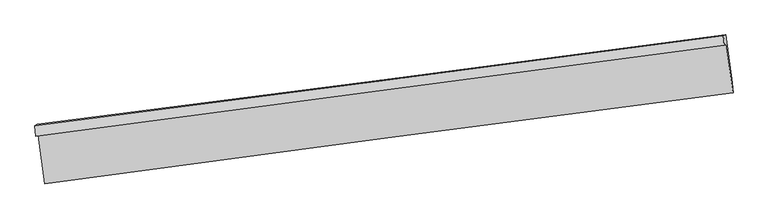
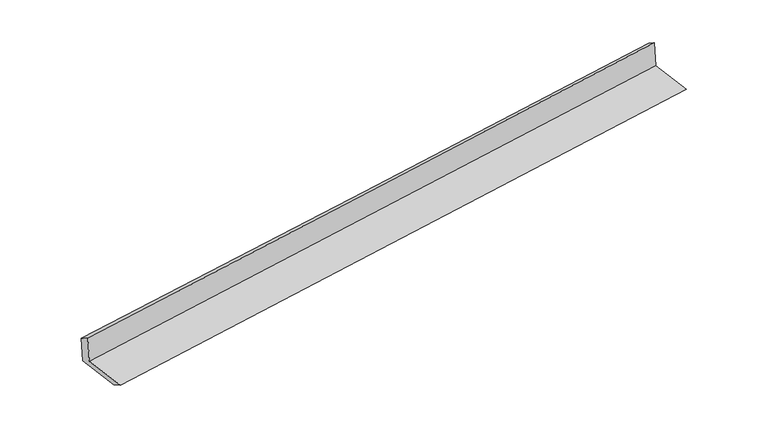
"""IFC4 building model written with IfcOpenShell, lengths in millimetres: proxy geometry."""

from ifc_helpers import new_model, si_unit, frame, origin, place, context, project, spatial, source, transform, mapped, element, save
from ifc_brep_helpers import plane_surface, spline_curve, spline_surface, advanced_brep


def generic_models_f832f3cf(model_context):
    return source(origin(), model_context, "Body", "AdvancedBrep", [
        advanced_brep(
        [(-4755.1705464, -2131.43129, 1898.0726663), (-4725.5710036, -2117.2861342, 1507.6211629), (4690.9603007, -872.1809111, 2256.5463264), (4661.3607579, -886.3260669, 2646.9978297), (-4768.6739186, -1983.265165, 1816.7971676), (4650.5807592, -757.9670619, 2565.2112197), (-4739.3308826, -1969.2425897, 1429.729279), (4679.9237952, -743.9444866, 2178.1433312), (-4647.6116301, -2636.3175168, 1412.5157947), (4770.2813609, -1401.1158537, 2161.1854025), (-4634.5890029, -2778.9990221, 1490.5460429), (4781.9423014, -1533.893799, 2239.4712064)],
        [
            (0, 1),
            (1, 2, spline_curve(3, [(-4725.5710036, -2117.2861342, 1507.6211629), (-3160.793238803, -1906.972392368, 1628.850916405), (-1595.915177927, -1698.345699877, 1751.6949594), (1542.927448211, -1283.291412708, 2001.318297198), (3116.893155144, -1076.883031214, 2128.115974906), (4690.9603007, -872.1809111, 2256.5463264)], [4, 2, 4], [0.0, 15.585643676715177, 31.25978228539672])),
            (2, 3),
            (3, 0, spline_curve(3, [(4661.3607579, -886.3260669, 2646.9978297), (3087.293612344, -1091.028187014, 2518.567478206), (1513.327905411, -1297.436568508, 2391.769800498), (-1625.514720727, -1712.490855677, 2142.1464627), (-3190.392781603, -1921.117548168, 2019.302419805), (-4755.1705464, -2131.43129, 1898.0726663)], [4, 2, 4], [0.0, 15.674138608681544, 31.25978228539672])),
            (4, 0),
            (3, 5),
            (5, 4, spline_curve(3, [(4650.5807592, -757.9670619, 2565.2112197), (3076.971378775, -965.99851126, 2436.694956786), (1503.005671427, -1172.406892897, 2309.897278956), (-1636.74989964, -1580.821318415, 2060.445279192), (-3202.535751869, -1782.845638104, 1937.771606566), (-4768.6739186, -1983.265165, 1816.7971676)], [4, 2, 4], [0.0, 15.674190657245717, 31.25988608866304])),
            (6, 4),
            (5, 7),
            (7, 6, spline_curve(3, [(4679.9237952, -743.9444866, 2178.1433312), (3106.31441476, -951.975936157, 2049.627068357), (1532.348707716, -1158.384317642, 1922.829390134), (-1607.406863927, -1566.798743269, 1673.377390813), (-3173.192715852, -1768.823062791, 1550.70371822), (-4739.3308826, -1969.2425897, 1429.729279)], [4, 2, 4], [0.0, 15.674277120065396, 31.26005852614024])),
            (8, 6),
            (7, 9),
            (9, 8, spline_curve(3, [(4770.2813609, -1401.1158537, 2161.1854025), (3196.443097824, -1607.482638705, 2032.712095373), (1622.477390628, -1813.891020231, 1905.914417189), (-1516.821707693, -2225.625376317, 1656.376748882), (-3082.153664183, -2430.950882473, 1533.617890876), (-4647.6116301, -2636.3175168, 1412.5157947)], [4, 2, 4], [0.0, 15.674229586937681, 31.259963728253044])),
            (10, 8),
            (9, 11),
            (11, 10, spline_curve(3, [(4781.9423014, -1533.893799, 2239.4712064), (3207.875155699, -1738.595919104, 2111.04085508), (1633.909448774, -1945.004300591, 1984.2431771), (-1504.933177091, -2360.058587793, 1734.619839297), (-3069.811237997, -2568.685280251, 1611.775796609), (-4634.5890029, -2778.9990221, 1490.5460429)], [4, 2, 4], [0.0, 15.674160331125531, 31.259825607641517])),
            (1, 10),
            (11, 2),
        ],
        [
            spline_surface(3, 3, [[(-4755.1705464, -2131.43129, 1898.0726663), (-3190.392781612, -1921.117548405, 2019.3024198), (-1625.514720601, -1712.490855494, 2142.146462944), (1513.327905285, -1297.436568692, 2391.769800253), (3087.293612418, -1091.028187229, 2518.567478202), (4661.3607579, -886.3260669, 2646.9978297)], [(-4745.304032142, -2126.716238064, 1767.92216518), (-3180.526267354, -1916.402496468, 1889.15191868), (-1615.648206344, -1707.775803558, 2011.995961824), (1523.194419542, -1292.721516756, 2261.619299133), (3097.160126676, -1086.313135293, 2388.416977082), (4671.227272158, -881.611014964, 2516.84732858)], [(-4735.437517858, -2122.001186136, 1637.77166402), (-3170.659753069, -1911.687444541, 1759.00141752), (-1605.781692059, -1703.06075163, 1881.845460763), (1533.060933827, -1288.006464828, 2131.468798073), (3107.02664096, -1081.598083365, 2258.266476022), (4681.093786442, -876.895963036, 2386.69682752)], [(-4725.5710036, -2117.2861342, 1507.6211629), (-3160.793238812, -1906.972392605, 1628.8509164), (-1595.915177801, -1698.345699694, 1751.694959644), (1542.927448085, -1283.291412892, 2001.318296953), (3116.893155218, -1076.883031429, 2128.115974902), (4690.9603007, -872.1809111, 2256.5463264)]], [4, 4], [4, 2, 4], [0.0, 1.285522477930225], [0.0, 15.585643676715177, 31.25978228539672]),
            spline_surface(3, 3, [[(-4768.6739186, -1983.265165, 1816.7971676), (-3202.535751973, -1782.84563789, 1937.771606593), (-1636.749899856, -1580.821318332, 2060.44527932), (1503.005671644, -1172.40689298, 2309.897278828), (3076.971378778, -965.998511517, 2436.694956777), (4650.5807592, -757.9670619, 2565.2112197)], [(-4764.172794505, -2032.653873326, 1843.889000509), (-3198.488095157, -1828.936274721, 1964.948544338), (-1633.004840106, -1624.711164056, 2087.679007212), (1506.44641619, -1214.083451553, 2337.18811932), (3080.412123323, -1007.675070091, 2463.985797269), (4654.174092099, -800.753396903, 2592.473423051)], [(-4759.671670495, -2082.042581674, 1870.980833391), (-3194.440438427, -1875.026911573, 1992.125482055), (-1629.259780352, -1668.601009771, 2114.912735051), (1509.887160739, -1255.760010118, 2364.478959761), (3083.852867873, -1049.351628656, 2491.27663771), (4657.767425001, -843.539731897, 2619.735626349)], [(-4755.1705464, -2131.43129, 1898.0726663), (-3190.392781612, -1921.117548405, 2019.3024198), (-1625.514720601, -1712.490855494, 2142.146462944), (1513.327905285, -1297.436568692, 2391.769800253), (3087.293612418, -1091.028187229, 2518.567478202), (4661.3607579, -886.3260669, 2646.9978297)]], [4, 4], [4, 2, 4], [0.0, 0.5005201682530028], [0.0, 15.585695431417324, 31.25988608866304]),
            spline_surface(3, 3, [[(-4739.3308826, -1969.2425897, 1429.729279), (-3173.192715973, -1768.82306259, 1550.703717993), (-1607.406863856, -1566.798743132, 1673.37739072), (1532.348707644, -1158.38431778, 1922.829390228), (3106.314414778, -951.975936217, 2049.627068277), (4679.9237952, -743.9444866, 2178.1433312)], [(-4749.111894603, -1973.916781454, 1558.751908512), (-3182.973727976, -1773.497254343, 1679.726347505), (-1617.187875859, -1571.472934886, 1802.400020231), (1522.567695642, -1163.058509533, 2051.85201974), (3096.533402775, -956.650127971, 2178.649697789), (4670.142783197, -748.618678354, 2307.165960712)], [(-4758.892906597, -1978.590973246, 1687.774538088), (-3192.75473997, -1778.171446136, 1808.748977081), (-1626.968887853, -1576.147126579, 1931.422649808), (1512.786683647, -1167.732701226, 2180.874649316), (3086.752390781, -961.324319764, 2307.672327265), (4660.361771203, -753.292870146, 2436.188590188)], [(-4768.6739186, -1983.265165, 1816.7971676), (-3202.535751973, -1782.84563789, 1937.771606593), (-1636.749899856, -1580.821318332, 2060.44527932), (1503.005671644, -1172.40689298, 2309.897278828), (3076.971378778, -965.998511517, 2436.694956777), (4650.5807592, -757.9670619, 2565.2112197)]], [4, 4], [4, 2, 4], [0.0, 1.2743822649325223], [0.0, 15.585781406074846, 31.26005852614024]),
            spline_surface(3, 3, [[(-4647.6116301, -2636.3175168, 1412.5157947), (-3082.153664392, -2430.950882447, 1533.617890947), (-1516.821707879, -2225.625376313, 1656.376748832), (1622.477390815, -1813.891020236, 1905.91441724), (3196.443097948, -1607.482638673, 2032.71209529), (4770.2813609, -1401.1158537, 2161.1854025)], [(-4678.184714284, -2413.959207765, 1418.253622815), (-3112.500014937, -2210.241609159, 1539.313166644), (-1547.016759891, -2006.016498579, 1662.043629455), (1592.434496405, -1595.388786077, 1911.552741564), (3166.400203538, -1388.980404514, 2038.350419613), (4740.162172314, -1182.058731326, 2166.838045394)], [(-4708.757798416, -2191.600898735, 1423.991450885), (-3142.846365428, -1989.532335878, 1545.008442296), (-1577.211811844, -1786.407620866, 1667.710510096), (1562.391602054, -1376.886551939, 1917.191065904), (3136.357309187, -1170.478170377, 2043.988743954), (4710.042983786, -963.001608974, 2172.490688306)], [(-4739.3308826, -1969.2425897, 1429.729279), (-3173.192715973, -1768.82306259, 1550.703717993), (-1607.406863856, -1566.798743132, 1673.37739072), (1532.348707644, -1158.38431778, 1922.829390228), (3106.314414778, -951.975936217, 2049.627068277), (4679.9237952, -743.9444866, 2178.1433312)]], [4, 4], [4, 2, 4], [0.0, 2.177023131256586], [0.0, 15.585734141315363, 31.259963728253044]),
            spline_surface(3, 3, [[(-4634.5890029, -2778.9990221, 1490.5460429), (-3069.811238112, -2568.685280505, 1611.7757964), (-1504.933177101, -2360.058587594, 1734.619839544), (1633.909448785, -1945.004300792, 1984.243176853), (3207.875155918, -1738.595919329, 2111.040854902), (4781.9423014, -1533.893799, 2239.4712064)], [(-4638.929878633, -2731.438520349, 1464.535960154), (-3073.925380204, -2522.773814501, 1585.723161237), (-1508.896020662, -2315.247517144, 1708.538809306), (1630.098762827, -1901.299873917, 1958.133590316), (3204.06446996, -1694.891492454, 2084.931268365), (4778.055321266, -1489.63448391, 2213.375938434)], [(-4643.270754367, -2683.878018551, 1438.525877446), (-3078.039522299, -2476.862348451, 1559.67052611), (-1512.858864319, -2270.436446763, 1682.457779069), (1626.288076772, -1857.595447111, 1932.024003778), (3200.253783906, -1651.187065548, 2058.821681827), (4774.168341034, -1445.37516879, 2187.280670466)], [(-4647.6116301, -2636.3175168, 1412.5157947), (-3082.153664392, -2430.950882447, 1533.617890946), (-1516.821707879, -2225.625376313, 1656.376748832), (1622.477390815, -1813.891020236, 1905.91441724), (3196.443097948, -1607.482638673, 2032.71209529), (4770.2813609, -1401.1158537, 2161.1854025)]], [4, 4], [4, 2, 4], [0.0, 0.5071090346190218], [0.0, 15.585665276515986, 31.259825607641517]),
            spline_surface(3, 3, [[(-4725.5710036, -2117.2861342, 1507.6211629), (-3160.793238812, -1906.972392605, 1628.8509164), (-1595.915177801, -1698.345699694, 1751.694959644), (1542.927448085, -1283.291412892, 2001.318296953), (3116.893155218, -1076.883031429, 2128.115974902), (4690.9603007, -872.1809111, 2256.5463264)], [(-4695.243670033, -2337.857096843, 1501.929456229), (-3130.465905244, -2127.543355247, 1623.159209729), (-1565.587844234, -1918.916662337, 1746.003252973), (1573.254781652, -1503.862375534, 1995.626590282), (3147.220488785, -1297.453994072, 2122.424268231), (4721.287634267, -1092.751873743, 2250.854619729)], [(-4664.916336467, -2558.428059457, 1496.237749571), (-3100.138571679, -2348.114317862, 1617.467503071), (-1535.260510668, -2139.487624951, 1740.311546214), (1603.582115218, -1724.433338149, 1989.934883524), (3177.547822351, -1518.024956687, 2116.732561573), (4751.614967833, -1313.322836357, 2245.162913071)], [(-4634.5890029, -2778.9990221, 1490.5460429), (-3069.811238112, -2568.685280505, 1611.7757964), (-1504.933177101, -2360.058587594, 1734.619839544), (1633.909448785, -1945.004300792, 1984.243176853), (3207.875155918, -1738.595919329, 2111.040854902), (4781.9423014, -1533.893799, 2239.4712064)]], [4, 4], [4, 2, 4], [0.0, 2.1921148001851645], [0.0, 15.585643676715172, 31.25978228539671]),
            plane_surface(frame((4705.8415459, -1032.5713632, 2341.2592193), z_axis=(0.987801319796695, 0.13376004953936158, 0.07972955383755094), x_axis=(-0.13616867948863365, 0.9903559984981551, 0.025555566224286567))),
            plane_surface(frame((-4711.8244974, -2269.4236196, 1592.5470189), z_axis=(-0.9878013197966867, -0.13376004953942336, -0.0797295538375518), x_axis=(-0.07554232809643234, -0.03610049010677999, 0.9964888916991606))),
        ],
        [
            (0, [[1, 2, 3, 4]]),
            (1, [[5, -4, 6, 7]]),
            (2, [[8, -7, 9, 10]]),
            (3, [[11, -10, 12, 13]]),
            (4, [[14, -13, 15, 16]]),
            (5, [[17, -16, 18, -2]]),
            (6, [[-12, -9, -6, -3, -18, -15]]),
            (7, [[-1, -5, -8, -11, -14, -17]]),
        ],
    ),
    ])


if __name__ == "__main__":
    model = new_model("IFC4")
    model_context = context("Model", 3, world=origin())
    ifc_project = project(units=[si_unit("LENGTHUNIT", "METRE", prefix="MILLI")], contexts=[model_context])
    site = spatial("IfcSite", under=ifc_project)
    building = spatial("IfcBuilding", under=site)
    placement = place(None, origin())
    generic_models_shape = generic_models_f832f3cf(model_context)
    element("IfcBuildingElementProxy", 1, Name="Generic Models", at=placement, inside=building, context=model_context, shape_type="MappedRepresentation", body=[
        mapped(generic_models_shape, transform((0.0, 0.0, 0.0), x_axis=(1.0, 0.0, 0.0), y_axis=(0.0, 1.0, 0.0), z_axis=(0.0, 0.0, 1.0))),
    ])
    save(model, "model.ifc")
